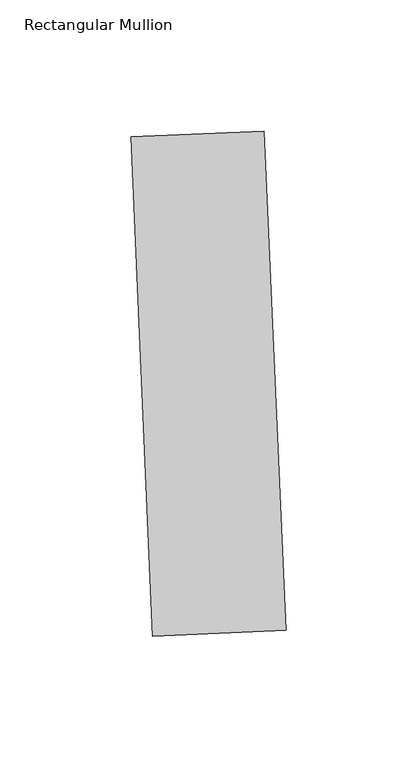
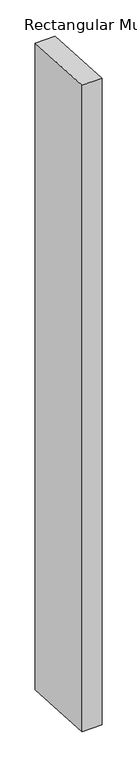
"""IFC4 building model written with IfcOpenShell, lengths in millimetres: member geometry, Rectangular Mullion."""

from ifc_helpers import new_model, si_unit, frame, origin, place, context, project, spatial, polyline, outline, extrude, source, transform, mapped, element, save


def rectangular_mullion_3807d04f(model_context):
    return source(origin(), model_context, "Body", "SweptSolid", [
        extrude(outline(polyline([(32.0234195, -151.1470165), (-18.7282302, -153.3628814), (-27.0377235, 36.9558048), (23.7139262, 39.1716697), (32.0234195, -151.1470165)])), frame((0.0, 0.0, -1720.85), z_axis=(0.0, 0.0, 1.0), x_axis=(1.0, 0.0, 0.0)), (0.0, 0.0, 1.0), 1720.85),
    ])


if __name__ == "__main__":
    model = new_model("IFC4")
    model_context = context("Model", 3, world=origin())
    ifc_project = project(units=[si_unit("LENGTHUNIT", "METRE", prefix="MILLI")], contexts=[model_context])
    site = spatial("IfcSite", under=ifc_project)
    building = spatial("IfcBuilding", under=site)
    placement = place(None, origin())
    rectangular_mullion_shape = rectangular_mullion_3807d04f(model_context)
    element("IfcMember", 1, ObjectType="Rectangular Mullion", at=placement, inside=building, context=model_context, shape_type="MappedRepresentation", body=[
        mapped(rectangular_mullion_shape, transform((0.0, 0.0, 0.0), x_axis=(1.0, 0.0, 0.0), y_axis=(0.0, 1.0, 0.0), z_axis=(0.0, 0.0, 1.0))),
    ])
    save(model, "model.ifc")
